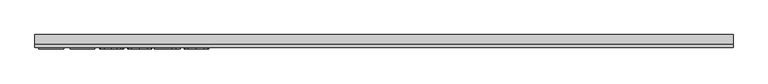
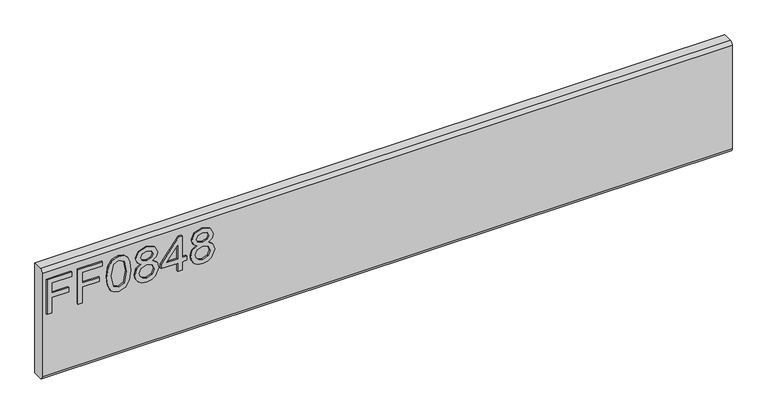
"""IFC4 building model written with IfcOpenShell, lengths in millimetres: furniture geometry."""

from ifc_helpers import new_model, si_unit, frame, origin, place, context, project, spatial, polyline, circle_curve, outline, extrude, source, transform, mapped, element, save
from ifc_brep_helpers import plane_surface, cylinder_surface, advanced_brep


def furniture_754b43c9(model_context):
    return source(origin(), model_context, "Body", "SolidModel", [
        extrude(outline(polyline([(679.45, -596.2729953), (679.45, -588.2992757), (708.3547336, -588.2992757), (708.3547336, -558.3978271), (716.3284532, -558.3978271), (716.3284532, -588.2992757), (735.2660373, -588.2992757), (735.2660373, -553.4142524), (743.2397569, -553.4142524), (743.2397569, -596.2729953), (679.45, -596.2729953)])), frame((0.0, -15.0812439, 0.0), z_axis=(0.0, 1.0, 0.0), x_axis=(0.0, 0.0, 1.0)), (0.0, 0.0, 1.0), 2.38125),
        extrude(outline(polyline([(679.45, -542.4503879), (679.45, -534.4766683), (708.3547336, -534.4766683), (708.3547336, -504.5752197), (716.3284532, -504.5752197), (716.3284532, -534.4766683), (735.2660373, -534.4766683), (735.2660373, -499.591645), (743.2397569, -499.591645), (743.2397569, -542.4503879), (679.45, -542.4503879)])), frame((0.0, -15.0812439, 0.0), z_axis=(0.0, 1.0, 0.0), x_axis=(0.0, 0.0, 1.0)), (0.0, 0.0, 1.0), 2.38125),
        extrude(outline(polyline([(710.8309473, -491.6179253), (695.3156775, -490.0294109), (684.5270168, -485.2638675), (679.971718, -478.9721044), (678.453285, -470.6869113), (681.9495742, -459.0144448), (692.5552443, -452.0763743), (710.8309473, -449.7558974), (725.8206058, -451.2042488), (735.2582505, -454.9419298), (741.1840324, -461.373856), (743.2397569, -470.6869113), (739.7668283, -482.3126568), (729.1845188, -489.2740878), (710.8309473, -491.6179253)]), holes=[polyline([(710.846521, -483.6442057), (730.9988514, -479.7819353), (735.2660373, -470.7803534), (730.4226256, -461.3427087), (710.846521, -457.729617), (691.0601718, -461.467298), (686.4270047, -470.6869113), (691.0445982, -479.9065247), (710.846521, -483.6442057)])]), frame((0.0, -15.0812439, 0.0), z_axis=(0.0, 1.0, 0.0), x_axis=(0.0, 0.0, 1.0)), (0.0, 0.0, 1.0), 2.38125),
        extrude(outline(polyline([(714.5842021, -431.160934), (708.7907964, -439.7576005), (698.2318474, -442.7788927), (690.4742125, -441.3383281), (684.1143145, -437.0166344), (679.8685424, -430.3433163), (678.453285, -421.8478787), (679.8627023, -413.3524411), (684.090954, -406.679123), (698.013816, -400.9168647), (708.3313731, -403.8213544), (714.5842021, -412.3012183), (719.513269, -405.2385584), (727.0275653, -402.9102946), (738.5209346, -408.1430481), (743.2397569, -421.9568944), (738.6299503, -435.6461513), (727.2455967, -440.7854628), (719.5366295, -438.4260516), (714.5842021, -431.160934)]), holes=[polyline([(698.5121735, -434.8051731), (706.9686769, -431.4334733), (710.3481635, -422.0503364), (706.9219559, -412.3946603), (698.2629947, -408.8905843), (689.7675571, -412.2856446), (686.4270047, -421.785584), (688.0155191, -428.7625887), (692.5085232, -433.4736242), (698.5121735, -434.8051731)]), polyline([(727.0119916, -432.8117432), (732.8365446, -429.9384008), (735.2660373, -421.8478787), (732.7820368, -413.780717), (726.6537972, -410.8840142), (720.7358022, -413.687275), (718.3218831, -421.7544367), (720.7513758, -429.9851219), (727.0119916, -432.8117432)])]), frame((0.0, -15.0812439, 0.0), z_axis=(0.0, 1.0, 0.0), x_axis=(0.0, 0.0, 1.0)), (0.0, 0.0, 1.0), 2.38125),
        extrude(outline(polyline([(679.45, -368.0252713), (679.45, -360.0515516), (694.4007243, -360.0515516), (694.4007243, -352.077832), (702.3744439, -352.077832), (702.3744439, -360.0515516), (742.243042, -360.0515516), (742.243042, -366.0318414), (702.3744439, -396.9300049), (694.4007243, -396.9300049), (694.4007243, -368.0252713), (679.45, -368.0252713)]), holes=[polyline([(702.3744439, -368.0252713), (702.3744439, -387.1185921), (727.0119916, -368.0252713), (702.3744439, -368.0252713)])]), frame((0.0, -15.0812439, 0.0), z_axis=(0.0, 1.0, 0.0), x_axis=(0.0, 0.0, 1.0)), (0.0, 0.0, 1.0), 2.38125),
        extrude(outline(polyline([(714.5842021, -333.4828687), (708.7907964, -342.0795352), (698.2318474, -345.1008274), (690.4742125, -343.6602628), (684.1143145, -339.338569), (679.8685424, -332.665251), (678.453285, -324.1698134), (679.8627023, -315.6743758), (684.090954, -309.0010577), (698.013816, -303.2387994), (708.3313731, -306.143289), (714.5842021, -314.623153), (719.513269, -307.5604931), (727.0275653, -305.2322293), (738.5209346, -310.4649828), (743.2397569, -324.2788291), (738.6299503, -337.968086), (727.2455967, -343.1073975), (719.5366295, -340.7479863), (714.5842021, -333.4828687)]), holes=[polyline([(698.5121735, -337.1271077), (706.9686769, -333.7554079), (710.3481635, -324.3722711), (706.9219559, -314.716595), (698.2629947, -311.212519), (689.7675571, -314.6075793), (686.4270047, -324.1075187), (688.0155191, -331.0845233), (692.5085232, -335.7955589), (698.5121735, -337.1271077)]), polyline([(727.0119916, -335.1336778), (732.8365446, -332.2603355), (735.2660373, -324.1698134), (732.7820368, -316.1026517), (726.6537972, -313.2059489), (720.7358022, -316.0092097), (718.3218831, -324.0763713), (720.7513758, -332.3070565), (727.0119916, -335.1336778)])]), frame((0.0, -15.0812439, 0.0), z_axis=(0.0, 1.0, 0.0), x_axis=(0.0, 0.0, 1.0)), (0.0, 0.0, 1.0), 2.38125),
        advanced_brep(
        [(603.25, 9.5250061, 762.0), (603.25, -6.7309939, 762.0), (603.25, -12.6999939, 756.031), (603.25, -12.6999939, 564.769), (603.25, -6.7309939, 558.8), (603.25, 9.5250061, 558.8), (-603.25, 9.5250061, 762.0), (-603.25, 9.5250061, 558.8), (-603.25, -6.7309939, 558.8), (-603.25, -12.6999939, 564.769), (-603.25, -12.6999939, 756.0310121), (-603.25, -6.7309939, 762.0)],
        [
            (0, 1),
            (1, 2, circle_curve(frame((603.25, -6.7309939, 756.031), z_axis=(1.0, 0.0, 0.0), x_axis=(0.0, 1.0, 0.0)), 5.969)),
            (2, 3),
            (3, 4, circle_curve(frame((603.25, -6.7309939, 564.769), z_axis=(1.0, 0.0, 0.0), x_axis=(0.0, 1.0, 0.0)), 5.969)),
            (4, 5),
            (5, 0),
            (6, 7),
            (7, 8),
            (8, 9, circle_curve(frame((-603.25, -6.7309939, 564.769), z_axis=(-1.0, 0.0, 0.0), x_axis=(0.0, 1.0, 0.0)), 5.969)),
            (9, 10),
            (10, 11, circle_curve(frame((-603.25, -6.7309939, 756.031), z_axis=(-1.0, 0.0, 0.0), x_axis=(0.0, 1.0, 0.0)), 5.969)),
            (11, 6),
            (0, 6),
            (11, 1),
            (10, 2),
            (9, 3),
            (8, 4),
            (7, 5),
        ],
        [
            plane_surface(frame((603.25, -6.7309939, 762.0), z_axis=(1.0, 0.0, 0.0), x_axis=(0.0, -1.0, 0.0))),
            plane_surface(frame((-603.25, -6.7309939, 762.0), z_axis=(-1.0, 0.0, 0.0), x_axis=(0.0, 1.0, 0.0))),
            plane_surface(frame((603.25, 9.5250061, 762.0), z_axis=(0.0, 0.0, 1.0), x_axis=(-1.0, 0.0, 0.0))),
            cylinder_surface(frame((-603.25, -6.7309939, 756.031), z_axis=(1.0, 0.0, 0.0), x_axis=(0.0, 1.0, 0.0)), 5.969),
            plane_surface(frame((603.25, -12.6999939, 756.0310121), z_axis=(0.0, -1.0, 0.0), x_axis=(-1.0, 0.0, 0.0))),
            cylinder_surface(frame((-603.25, -6.7309939, 564.769), z_axis=(1.0, 0.0, 0.0), x_axis=(0.0, 1.0, 0.0)), 5.969),
            plane_surface(frame((603.25, -6.7309939, 558.8), z_axis=(0.0, 0.0, -1.0), x_axis=(-1.0, 0.0, 0.0))),
            plane_surface(frame((603.25, 9.5250061, 558.8), z_axis=(0.0, 1.0, 0.0), x_axis=(-1.0, 0.0, 0.0))),
        ],
        [
            (0, [[1, 2, 3, 4, 5, 6]]),
            (1, [[7, 8, 9, 10, 11, 12]]),
            (2, [[-1, 13, -12, 14]]),
            (3, [[-2, -14, -11, 15]]),
            (4, [[-3, -15, -10, 16]]),
            (5, [[-4, -16, -9, 17]]),
            (6, [[-5, -17, -8, 18]]),
            (7, [[-6, -18, -7, -13]]),
        ],
    ),
    ])


if __name__ == "__main__":
    model = new_model("IFC4")
    model_context = context("Model", 3, world=origin())
    ifc_project = project(units=[si_unit("LENGTHUNIT", "METRE", prefix="MILLI")], contexts=[model_context])
    site = spatial("IfcSite", under=ifc_project)
    building = spatial("IfcBuilding", under=site)
    placement = place(None, origin())
    furniture_shape = furniture_754b43c9(model_context)
    element("IfcFurniture", 1, at=placement, inside=building, context=model_context, shape_type="MappedRepresentation", body=[
        mapped(furniture_shape, transform((0.0, 0.0, 0.0), x_axis=(1.0, 0.0, 0.0), y_axis=(0.0, 1.0, 0.0), z_axis=(0.0, 0.0, 1.0))),
    ])
    save(model, "model.ifc")
